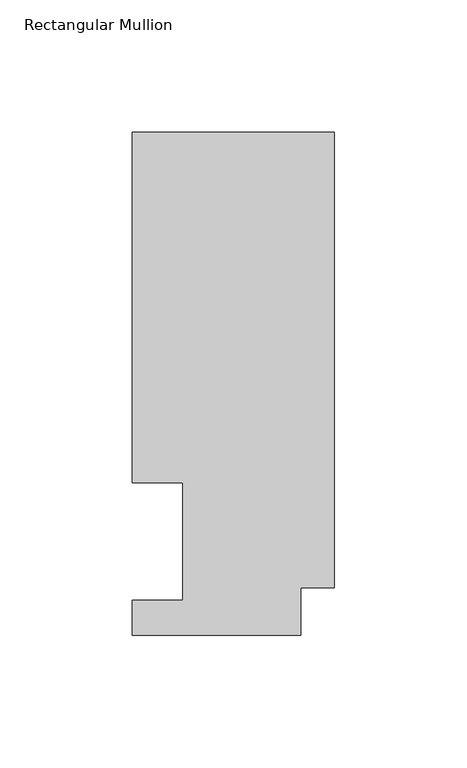
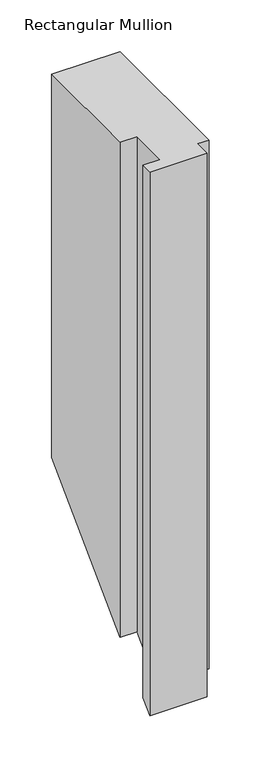
"""IFC4 building model written with IfcOpenShell, lengths in millimetres: member geometry, Rectangular Mullion."""

from ifc_helpers import new_model, si_unit, origin, place, context, project, spatial, faceted_brep, source, transform, mapped, element, save


def rectangular_mullion_062e5039(model_context):
    return source(origin(), model_context, "Body", "Brep", [
        faceted_brep([(0.0, 189.8022937, 0.0), (-76.2, 189.8022937, 0.0), (-76.2, 57.6460937, 0.0), (-57.1627, 57.6460937, 0.0), (-57.1627, 13.1960937, 0.0), (-76.2, 13.1960937, 0.0), (-76.2, 0.0134937, 0.0), (-12.7, 0.0134937, 0.0), (-12.7, 17.9712937, 0.0), (0.0, 17.9712937, 0.0), (0.0, 189.8022937, -451.5477062), (-76.2, 189.8022937, -451.5477062), (-76.2, 57.6460937, -583.7039062), (-57.1627, 57.6460937, -583.7039062), (-57.1627, 13.1960937, -628.1539062), (-76.2, 13.1960937, -628.1539062), (-76.2, 0.0134937, -641.3365062), (-12.7, 0.0134937, -641.3365062), (-12.7, 17.9712937, -623.3787062), (0.0, 17.9712937, -623.3787062)], [[[0, 1, 2, 3, 4, 5, 6, 7, 8, 9]], [[1, 0, 10, 11]], [[2, 1, 11, 12]], [[3, 2, 12, 13]], [[4, 3, 13, 14]], [[5, 4, 14, 15]], [[6, 5, 15, 16]], [[7, 6, 16, 17]], [[8, 7, 17, 18]], [[9, 8, 18, 19]], [[0, 9, 19, 10]], [[10, 19, 18, 17, 16, 15, 14, 13, 12, 11]]]),
    ])


if __name__ == "__main__":
    model = new_model("IFC4")
    model_context = context("Model", 3, world=origin())
    ifc_project = project(units=[si_unit("LENGTHUNIT", "METRE", prefix="MILLI")], contexts=[model_context])
    site = spatial("IfcSite", under=ifc_project)
    building = spatial("IfcBuilding", under=site)
    placement = place(None, origin())
    rectangular_mullion_shape = rectangular_mullion_062e5039(model_context)
    element("IfcMember", 1, ObjectType="Rectangular Mullion", at=placement, inside=building, context=model_context, shape_type="MappedRepresentation", body=[
        mapped(rectangular_mullion_shape, transform((0.0, 0.0, 0.0), x_axis=(1.0, 0.0, 0.0), y_axis=(0.0, 1.0, 0.0), z_axis=(0.0, 0.0, 1.0))),
    ])
    save(model, "model.ifc")
